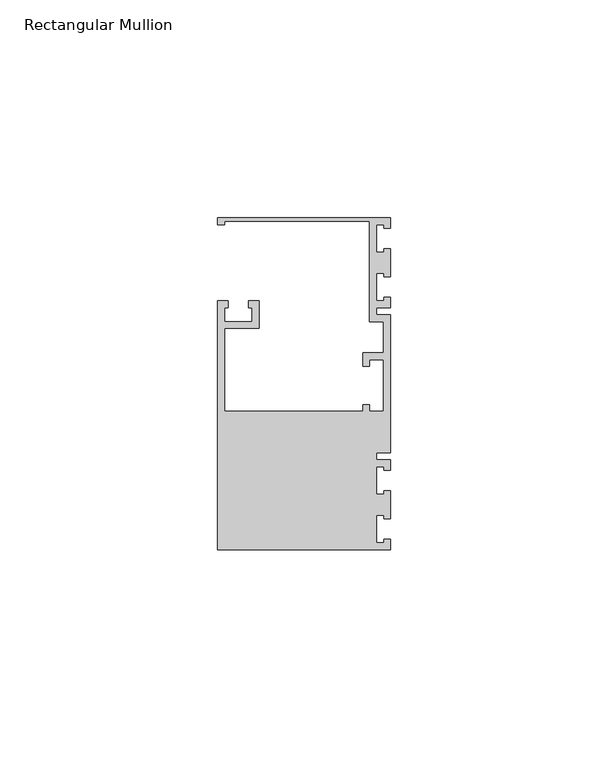
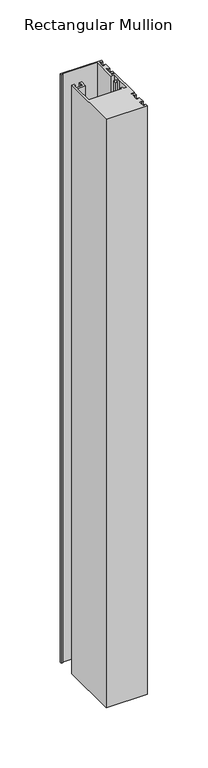
"""IFC4 building model written with IfcOpenShell, lengths in millimetres: member geometry, Rectangular Mullion."""

from ifc_helpers import new_model, si_unit, frame, origin, place, context, project, spatial, polyline, outline, extrude, source, transform, mapped, element, save


def rectangular_mullion_627b0ba6(model_context):
    return source(origin(), model_context, "Body", "SweptSolid", [
        extrude(outline(polyline([(0.0, 38.1), (0.0, 35.71875), (-1.4999946, 35.71875), (-1.4999946, 36.5125), (-3.175, 36.5125), (-3.175, 30.1625), (-1.4999946, 30.1625), (-1.4999946, 30.95625), (0.0, 30.95625), (0.0, 24.60625), (-1.4999946, 24.60625), (-1.4999946, 25.4), (-3.175, 25.4), (-3.175, 19.05), (-1.4999946, 19.05), (-1.4999946, 19.84375), (0.0, 19.84375), (0.0, 17.4625), (-3.175, 17.4625), (-3.175, 15.875), (0.0, 15.875), (0.0, -15.875), (-3.175, -15.875), (-3.175, -17.4625), (0.0, -17.4625), (0.0, -19.84375), (-1.4999946, -19.84375), (-1.4999946, -19.05), (-3.175, -19.05), (-3.175, -25.4), (-1.4999946, -25.4), (-1.4999946, -24.60625), (0.0, -24.60625), (0.0, -30.95625), (-1.4999946, -30.95625), (-1.4999946, -30.1625), (-3.175, -30.1625), (-3.175, -36.5125), (-1.4999946, -36.5125), (-1.4999946, -35.71875), (0.0, -35.71875), (0.0, -38.1), (-39.6875, -38.1), (-39.6875, 19.05), (-37.30625, 19.05), (-37.30625, 17.4625), (-38.1, 17.4625), (-38.1, 14.2875), (-31.75, 14.2875), (-31.75, 17.4625), (-32.54375, 17.4625), (-32.54375, 19.05), (-30.1625, 19.05), (-30.1625, 12.7), (-38.1, 12.7), (-38.1, -6.35), (-6.35, -6.35), (-6.35, -4.7625), (-4.7625, -4.7625), (-4.7625, -6.35), (-1.5875, -6.35), (-1.5875, 5.55625), (-4.7625, 5.55625), (-4.7625, 3.96875), (-6.35, 3.96875), (-6.35, 7.14375), (-1.5875, 7.14375), (-1.5875, 14.2875), (-4.7625, 14.2875), (-4.7625, 37.30625), (-38.1, 37.30625), (-38.1, 36.5125), (-39.6875, 36.5125), (-39.6875, 38.1), (0.0, 38.1)])), frame((0.0, 0.0, -596.9), z_axis=(0.0, 0.0, 1.0), x_axis=(1.0, 0.0, 0.0)), (0.0, 0.0, 1.0), 596.9),
    ])


if __name__ == "__main__":
    model = new_model("IFC4")
    model_context = context("Model", 3, world=origin())
    ifc_project = project(units=[si_unit("LENGTHUNIT", "METRE", prefix="MILLI")], contexts=[model_context])
    site = spatial("IfcSite", under=ifc_project)
    building = spatial("IfcBuilding", under=site)
    placement = place(None, origin())
    rectangular_mullion_shape = rectangular_mullion_627b0ba6(model_context)
    element("IfcMember", 1, ObjectType="Rectangular Mullion", at=placement, inside=building, context=model_context, shape_type="MappedRepresentation", body=[
        mapped(rectangular_mullion_shape, transform((0.0, 0.0, 0.0), x_axis=(1.0, 0.0, 0.0), y_axis=(0.0, 1.0, 0.0), z_axis=(0.0, 0.0, 1.0))),
    ])
    save(model, "model.ifc")
